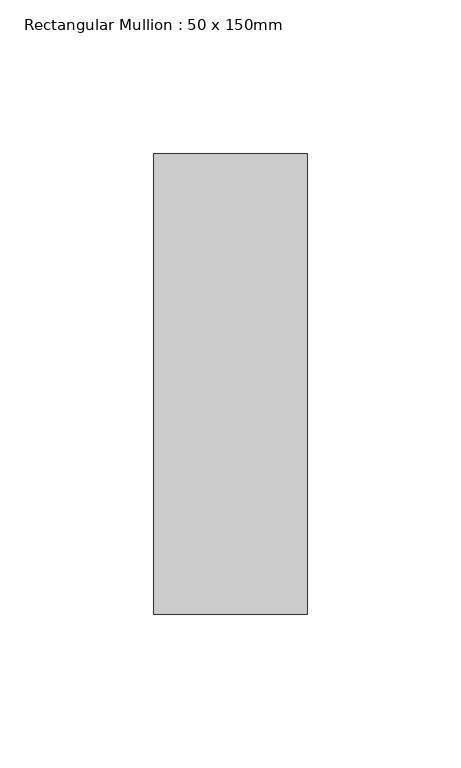
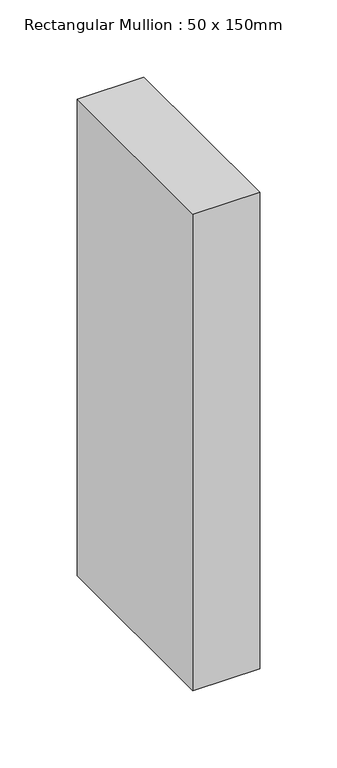
"""IFC4 building model written with IfcOpenShell, lengths in millimetres: member geometry, Rectangular Mullion : 50 x 150mm."""

from ifc_helpers import new_model, si_unit, frame, origin, place, context, project, spatial, polyline, outline, extrude, source, transform, mapped, element, save


def rectangular_mullion_50_x_150mm_1ae9ba8d(model_context):
    return source(origin(), model_context, "Body", "SweptSolid", [
        extrude(outline(polyline([(0.0, 75.0), (0.0, -75.0), (-50.0, -75.0), (-50.0, 75.0), (0.0, 75.0)])), frame((0.0, 0.0, -377.1504642), z_axis=(0.0, 0.0, 1.0), x_axis=(1.0, 0.0, 0.0)), (0.0, 0.0, 1.0), 377.1504642),
    ])


if __name__ == "__main__":
    model = new_model("IFC4")
    model_context = context("Model", 3, world=origin())
    ifc_project = project(units=[si_unit("LENGTHUNIT", "METRE", prefix="MILLI")], contexts=[model_context])
    site = spatial("IfcSite", under=ifc_project)
    building = spatial("IfcBuilding", under=site)
    placement = place(None, origin())
    rectangular_mullion_50_x_150mm_shape = rectangular_mullion_50_x_150mm_1ae9ba8d(model_context)
    element("IfcMember", 1, ObjectType="Rectangular Mullion : 50 x 150mm", at=placement, inside=building, context=model_context, shape_type="MappedRepresentation", body=[
        mapped(rectangular_mullion_50_x_150mm_shape, transform((0.0, 0.0, 0.0), x_axis=(1.0, 0.0, 0.0), y_axis=(0.0, 1.0, 0.0), z_axis=(0.0, 0.0, 1.0))),
    ])
    save(model, "model.ifc")
